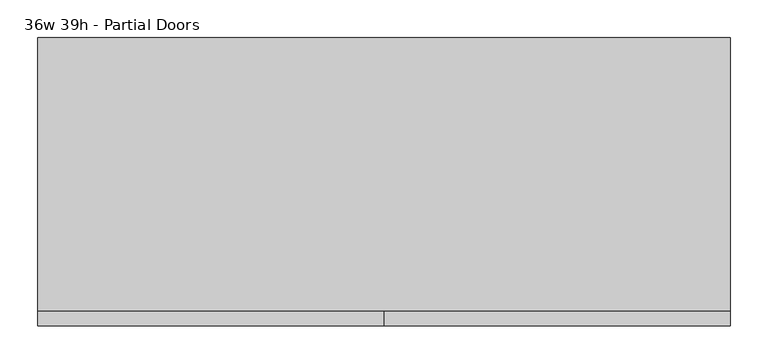
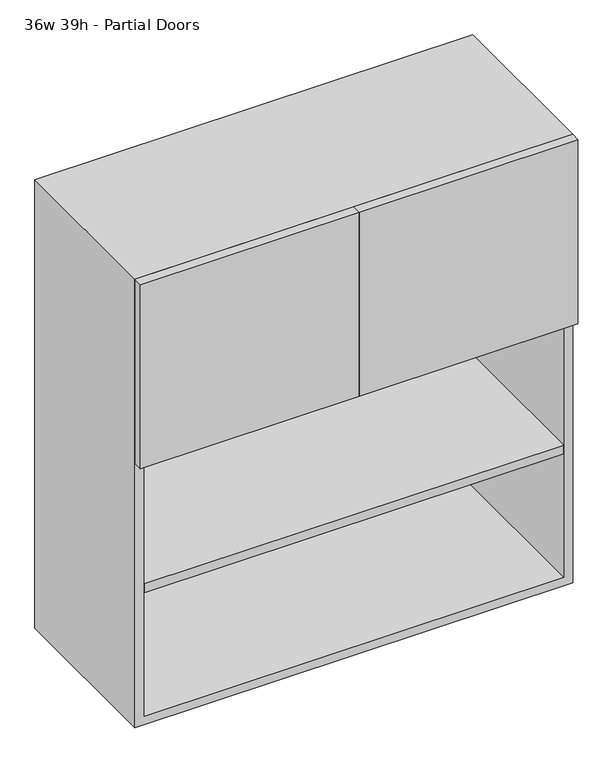
"""IFC4 building model written with IfcOpenShell, lengths in millimetres: furniture geometry, 36w 39h - Partial Doors."""

from ifc_helpers import new_model, si_unit, frame, origin, place, context, project, spatial, polyline, outline, extrude, source, transform, mapped, element, save


def furniture_36w_39h_partial_doors_ba900299(model_context):
    return source(origin(), model_context, "Body", "SweptSolid", [
        extrude(outline(polyline([(438.1569453, 161.925), (438.1569453, -180.975), (-438.1291641, -180.975), (-438.1291641, 161.925), (438.1569453, 161.925)])), frame((0.0, 0.0, 1320.8), z_axis=(0.0, 0.0, 1.0), x_axis=(1.0, 0.0, 0.0)), (0.0, 0.0, 1.0), 19.05),
        extrude(outline(polyline([(438.1569453, 161.925), (438.1569453, -180.975), (-438.1291641, -180.975), (-438.1291641, 161.925), (438.1569453, 161.925)])), frame((0.0, 0.0, 1028.7), z_axis=(0.0, 0.0, 1.0), x_axis=(1.0, 0.0, 0.0)), (0.0, 0.0, 1.0), 19.05),
        extrude(outline(polyline([(0.0138906, -200.025), (0.0138906, -180.975), (457.2138906, -180.975), (457.2138906, -200.025), (0.0138906, -200.025)])), frame((0.0, 0.0, 1320.8), z_axis=(0.0, 0.0, 1.0), x_axis=(1.0, 0.0, 0.0)), (0.0, 0.0, 1.0), 406.4),
        extrude(outline(polyline([(0.0138906, -200.025), (-457.1861094, -200.025), (-457.1861094, -180.975), (0.0138906, -180.975), (0.0138906, -200.025)])), frame((0.0, 0.0, 1320.8), z_axis=(0.0, 0.0, 1.0), x_axis=(1.0, 0.0, 0.0)), (0.0, 0.0, 1.0), 406.4),
        extrude(outline(polyline([(736.6, -457.1861094), (736.6, 457.2138906), (1727.2, 457.2138906), (1727.2, -457.1861094), (736.6, -457.1861094)]), holes=[polyline([(755.65, -438.1361094), (1708.15, -438.1361094), (1708.15, 438.1569453), (755.65, 438.1569453), (755.65, -438.1361094)])]), frame((0.0, -180.975, 0.0), z_axis=(0.0, 1.0, 0.0), x_axis=(0.0, 0.0, 1.0)), (0.0, 0.0, 1.0), 361.95),
        extrude(outline(polyline([(-438.1291641, 161.925), (-438.1291641, 180.975), (438.1569453, 180.975), (438.1569453, 161.925), (-438.1291641, 161.925)])), frame((0.0, 0.0, 755.65), z_axis=(0.0, 0.0, 1.0), x_axis=(1.0, 0.0, 0.0)), (0.0, 0.0, 1.0), 952.5),
    ])


if __name__ == "__main__":
    model = new_model("IFC4")
    model_context = context("Model", 3, world=origin())
    ifc_project = project(units=[si_unit("LENGTHUNIT", "METRE", prefix="MILLI")], contexts=[model_context])
    site = spatial("IfcSite", under=ifc_project)
    building = spatial("IfcBuilding", under=site)
    placement = place(None, origin())
    furniture_36w_39h_partial_doors_shape = furniture_36w_39h_partial_doors_ba900299(model_context)
    element("IfcFurniture", 1, ObjectType="36w 39h - Partial Doors", at=placement, inside=building, context=model_context, shape_type="MappedRepresentation", body=[
        mapped(furniture_36w_39h_partial_doors_shape, transform((0.0, 0.0, 0.0), x_axis=(1.0, 0.0, 0.0), y_axis=(0.0, 1.0, 0.0), z_axis=(0.0, 0.0, 1.0))),
    ])
    save(model, "model.ifc")
